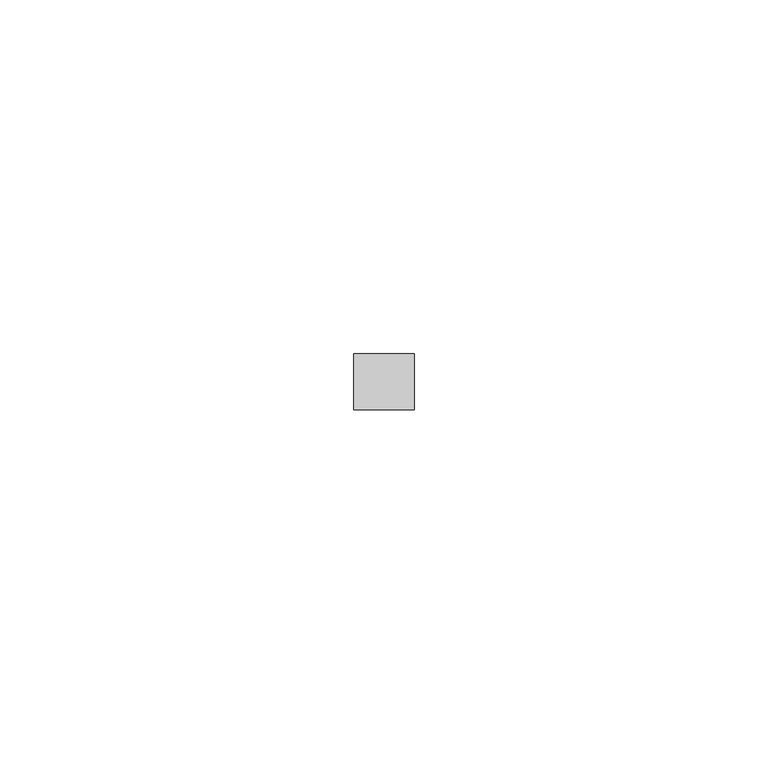
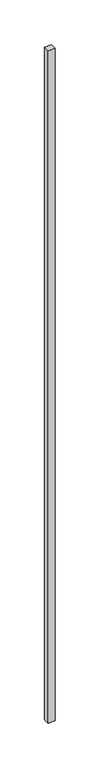
"""IFC4 building model written with IfcOpenShell, lengths in millimetres: proxy geometry."""

from ifc_helpers import new_model, si_unit, frame, origin, place, context, project, spatial, polyline, outline, extrude, source, transform, mapped, element, save


def generic_models_df777cab(model_context):
    return source(origin(), model_context, "Body", "SweptSolid", [
        extrude(outline(polyline([(37221.1214168, -22013.5107501), (37229.7035688, -22013.5107501), (37229.7035688, -22021.4599341), (37221.1214168, -22021.4599341), (37221.1214168, -22013.5107501)])), frame((0.0, 0.0, 1524.0), z_axis=(0.0, 0.0, 1.0), x_axis=(1.0, 0.0, 0.0)), (0.0, 0.0, 1.0), 914.4),
    ])


if __name__ == "__main__":
    model = new_model("IFC4")
    model_context = context("Model", 3, world=origin())
    ifc_project = project(units=[si_unit("LENGTHUNIT", "METRE", prefix="MILLI")], contexts=[model_context])
    site = spatial("IfcSite", under=ifc_project)
    building = spatial("IfcBuilding", under=site)
    placement = place(None, origin())
    generic_models_shape = generic_models_df777cab(model_context)
    element("IfcBuildingElementProxy", 1, Name="Generic Models", at=placement, inside=building, context=model_context, shape_type="MappedRepresentation", body=[
        mapped(generic_models_shape, transform((0.0, 0.0, 0.0), x_axis=(1.0, 0.0, 0.0), y_axis=(0.0, 1.0, 0.0), z_axis=(0.0, 0.0, 1.0))),
    ])
    save(model, "model.ifc")
